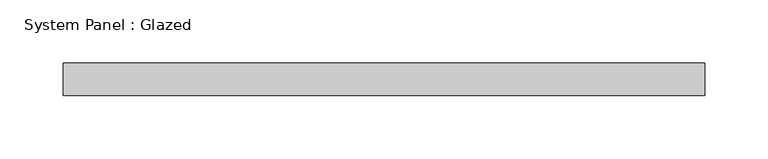
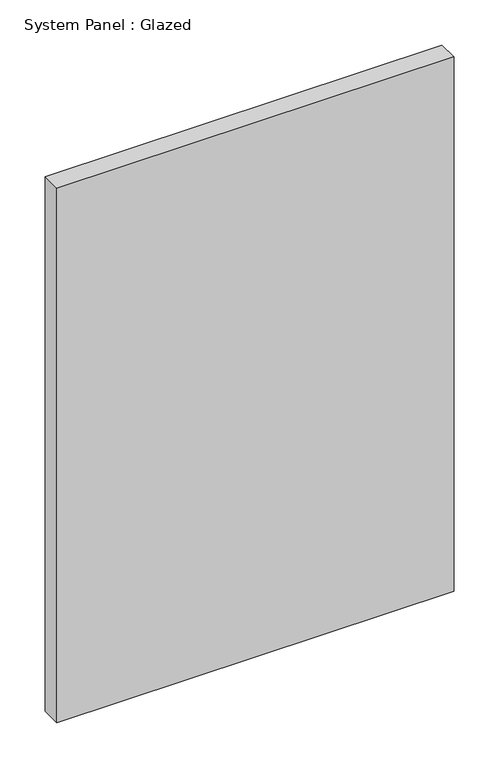
"""IFC4 building model written with IfcOpenShell, lengths in millimetres: plate geometry, System Panel : Glazed."""

from ifc_helpers import new_model, si_unit, origin, origin_with_axes, place, context, project, spatial, polyline, outline, extrude, source, transform, mapped, element, save


def system_panel_glazed_f0d53166(model_context):
    return source(origin(), model_context, "Body", "SweptSolid", [
        extrude(outline(polyline([(252.375, 19.05), (-252.375, 19.05), (-252.375, 44.45), (252.375, 44.45), (252.375, 19.05)])), origin_with_axes(), (0.0, 0.0, 1.0), 717.95),
    ])


if __name__ == "__main__":
    model = new_model("IFC4")
    model_context = context("Model", 3, world=origin())
    ifc_project = project(units=[si_unit("LENGTHUNIT", "METRE", prefix="MILLI")], contexts=[model_context])
    site = spatial("IfcSite", under=ifc_project)
    building = spatial("IfcBuilding", under=site)
    placement = place(None, origin())
    system_panel_glazed_shape = system_panel_glazed_f0d53166(model_context)
    element("IfcPlate", 1, ObjectType="System Panel : Glazed", at=placement, inside=building, context=model_context, shape_type="MappedRepresentation", body=[
        mapped(system_panel_glazed_shape, transform((0.0, 0.0, 0.0), x_axis=(1.0, 0.0, 0.0), y_axis=(0.0, 1.0, 0.0), z_axis=(0.0, 0.0, 1.0))),
    ])
    save(model, "model.ifc")
